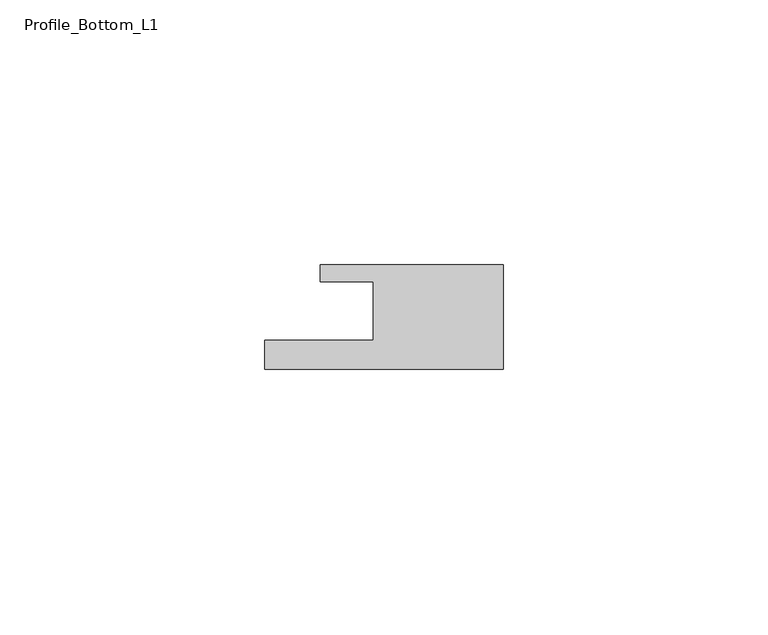
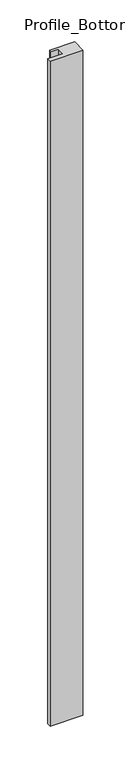
"""IFC4 building model written with IfcOpenShell, lengths in millimetres: member geometry, Profile_Bottom_L1."""

from ifc_helpers import new_model, si_unit, frame, origin, place, context, project, spatial, polyline, outline, extrude, source, transform, mapped, element, save


def profile_bottom_l1_59e6f6d7(model_context):
    return source(origin(), model_context, "Body", "SweptSolid", [
        extrude(outline(polyline([(-45.0, -5.5), (-24.5, -5.5), (-24.5, 5.5), (-34.5, 5.5), (-34.5, 8.7), (0.0, 8.7), (0.0, -11.0), (-45.0, -11.0), (-45.0, -5.5)])), frame((0.0, 0.0, -966.8), z_axis=(0.0, 0.0, 1.0), x_axis=(1.0, 0.0, 0.0)), (0.0, 0.0, 1.0), 966.8),
    ])


if __name__ == "__main__":
    model = new_model("IFC4")
    model_context = context("Model", 3, world=origin())
    ifc_project = project(units=[si_unit("LENGTHUNIT", "METRE", prefix="MILLI")], contexts=[model_context])
    site = spatial("IfcSite", under=ifc_project)
    building = spatial("IfcBuilding", under=site)
    placement = place(None, origin())
    profile_bottom_l1_shape = profile_bottom_l1_59e6f6d7(model_context)
    element("IfcMember", 1, ObjectType="Profile_Bottom_L1", at=placement, inside=building, context=model_context, shape_type="MappedRepresentation", body=[
        mapped(profile_bottom_l1_shape, transform((0.0, 0.0, 0.0), x_axis=(1.0, 0.0, 0.0), y_axis=(0.0, 1.0, 0.0), z_axis=(0.0, 0.0, 1.0))),
    ])
    save(model, "model.ifc")
